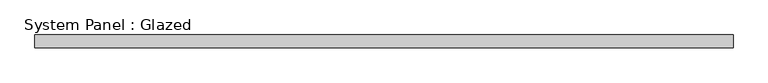
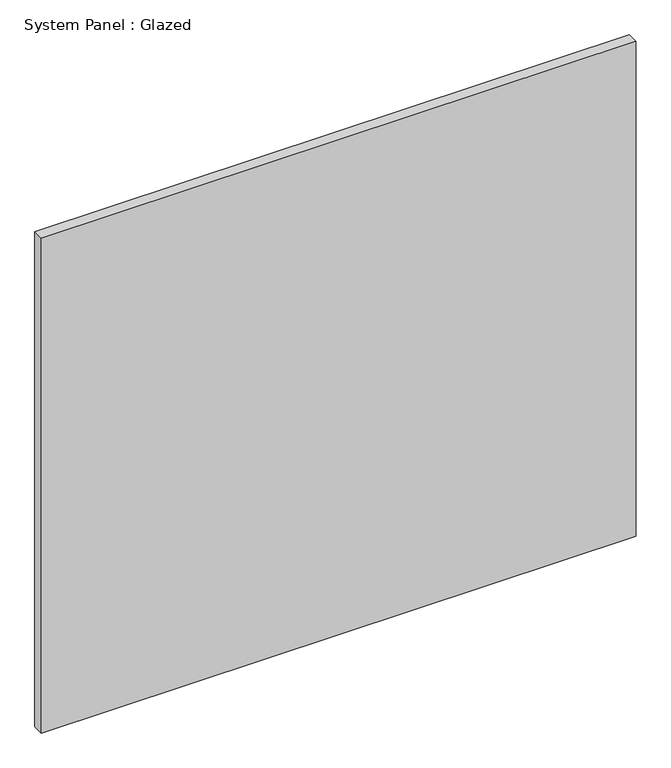
"""IFC4 building model written with IfcOpenShell, lengths in millimetres: plate geometry, System Panel : Glazed."""

from ifc_helpers import new_model, si_unit, origin, origin_with_axes, place, context, project, spatial, polyline, outline, extrude, source, transform, mapped, element, save


def system_panel_glazed_6f781992(model_context):
    return source(origin(), model_context, "Body", "SweptSolid", [
        extrude(outline(polyline([(685.05, 19.05), (-685.05, 19.05), (-685.05, 44.45), (685.05, 44.45), (685.05, 19.05)])), origin_with_axes(), (0.0, 0.0, 1.0), 1204.9756882),
    ])


if __name__ == "__main__":
    model = new_model("IFC4")
    model_context = context("Model", 3, world=origin())
    ifc_project = project(units=[si_unit("LENGTHUNIT", "METRE", prefix="MILLI")], contexts=[model_context])
    site = spatial("IfcSite", under=ifc_project)
    building = spatial("IfcBuilding", under=site)
    placement = place(None, origin())
    system_panel_glazed_shape = system_panel_glazed_6f781992(model_context)
    element("IfcPlate", 1, ObjectType="System Panel : Glazed", at=placement, inside=building, context=model_context, shape_type="MappedRepresentation", body=[
        mapped(system_panel_glazed_shape, transform((0.0, 0.0, 0.0), x_axis=(1.0, 0.0, 0.0), y_axis=(0.0, 1.0, 0.0), z_axis=(0.0, 0.0, 1.0))),
    ])
    save(model, "model.ifc")
